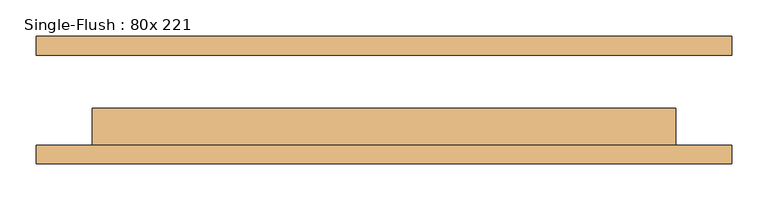
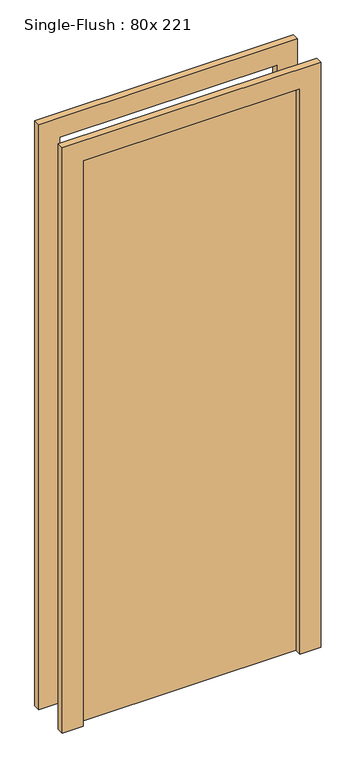
"""IFC4 building model written with IfcOpenShell, lengths in millimetres: door geometry, Single-Flush : 80x 221."""

from ifc_helpers import new_model, si_unit, frame, origin, origin_with_axes, place, context, project, spatial, polyline, outline, extrude, source, transform, mapped, element, save


def single_flush_80x_221_408c5d6a(model_context):
    return source(origin(), model_context, "Body", "SweptSolid", [
        extrude(outline(polyline([(2276.2, -476.2), (0.0, -476.2), (0.0, -400.0), (2200.0, -400.0), (2200.0, 400.0), (0.0, 400.0), (0.0, 476.2), (2276.2, 476.2), (2276.2, -476.2)])), frame((0.0, -87.3125, 0.0), z_axis=(0.0, 1.0, 0.0), x_axis=(0.0, 0.0, 1.0)), (0.0, 0.0, 1.0), 25.4),
        extrude(outline(polyline([(2276.2, 476.2), (2276.2, -476.2), (0.0, -476.2), (0.0, -400.0), (2200.0, -400.0), (2200.0, 400.0), (0.0, 400.0), (0.0, 476.2), (2276.2, 476.2)])), frame((0.0, 61.9125, 0.0), z_axis=(0.0, 1.0, 0.0), x_axis=(0.0, 0.0, 1.0)), (0.0, 0.0, 1.0), 25.4),
        extrude(outline(polyline([(400.0, -11.1125), (400.0, -61.9125), (-400.0, -61.9125), (-400.0, -11.1125), (400.0, -11.1125)])), origin_with_axes(), (0.0, 0.0, 1.0), 2200.0),
    ])


if __name__ == "__main__":
    model = new_model("IFC4")
    model_context = context("Model", 3, world=origin())
    ifc_project = project(units=[si_unit("LENGTHUNIT", "METRE", prefix="MILLI")], contexts=[model_context])
    site = spatial("IfcSite", under=ifc_project)
    building = spatial("IfcBuilding", under=site)
    placement = place(None, origin())
    single_flush_80x_221_shape = single_flush_80x_221_408c5d6a(model_context)
    element("IfcDoor", 1, ObjectType="Single-Flush : 80x 221", at=placement, inside=building, context=model_context, shape_type="MappedRepresentation", body=[
        mapped(single_flush_80x_221_shape, transform((0.0, 0.0, 0.0), x_axis=(1.0, 0.0, 0.0), y_axis=(0.0, 1.0, 0.0), z_axis=(0.0, 0.0, 1.0))),
    ])
    save(model, "model.ifc")
